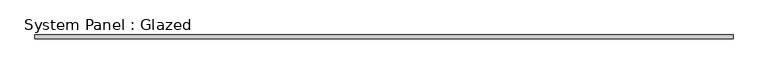
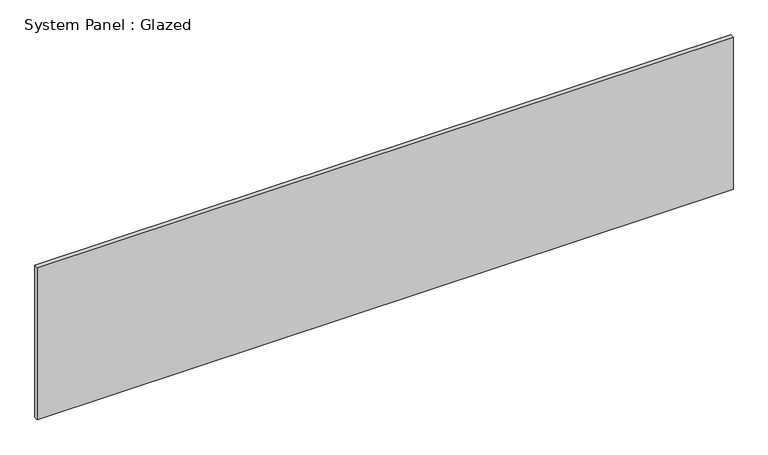
"""IFC4 building model written with IfcOpenShell, lengths in millimetres: plate geometry, System Panel : Glazed."""

from ifc_helpers import new_model, si_unit, origin, origin_with_axes, place, context, project, spatial, polyline, outline, extrude, source, transform, mapped, element, save


def system_panel_glazed_526a8f5f(model_context):
    return source(origin(), model_context, "Body", "SweptSolid", [
        extrude(outline(polyline([(2241.55, 19.05), (-2241.55, 19.05), (-2241.55, 44.45), (2241.55, 44.45), (2241.55, 19.05)])), origin_with_axes(), (0.0, 0.0, 1.0), 1035.05),
    ])


if __name__ == "__main__":
    model = new_model("IFC4")
    model_context = context("Model", 3, world=origin())
    ifc_project = project(units=[si_unit("LENGTHUNIT", "METRE", prefix="MILLI")], contexts=[model_context])
    site = spatial("IfcSite", under=ifc_project)
    building = spatial("IfcBuilding", under=site)
    placement = place(None, origin())
    system_panel_glazed_shape = system_panel_glazed_526a8f5f(model_context)
    element("IfcPlate", 1, ObjectType="System Panel : Glazed", at=placement, inside=building, context=model_context, shape_type="MappedRepresentation", body=[
        mapped(system_panel_glazed_shape, transform((0.0, 0.0, 0.0), x_axis=(1.0, 0.0, 0.0), y_axis=(0.0, 1.0, 0.0), z_axis=(0.0, 0.0, 1.0))),
    ])
    save(model, "model.ifc")
